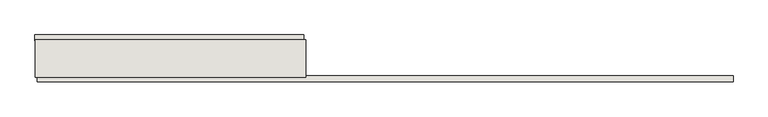
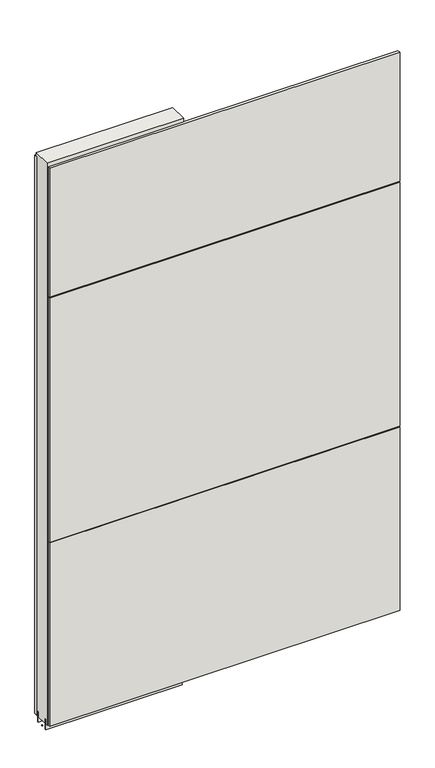
"""IFC4 building model written with IfcOpenShell, lengths in millimetres: wall geometry."""

from ifc_helpers import new_model, si_unit, frame, origin, place, context, project, spatial, polyline, outline, extrude, source, transform, mapped, element, save


def wall_65722b0a(model_context):
    return source(origin(), model_context, "Body", "SweptSolid", [
        extrude(outline(polyline([(42536.745, -47722.5245954), (42534.205, -47722.5245954), (42534.205, -47719.9845954), (42536.745, -47719.9845954), (42536.745, -47722.5245954)])), frame((0.0, 0.0, 4419.6), z_axis=(0.0, 0.0, 1.0), x_axis=(1.0, 0.0, 0.0)), (0.0, 0.0, 1.0), 2.54),
        extrude(outline(polyline([(42533.7388084, -47670.4545954), (43117.1137656, -47670.4545954), (43117.1137656, -47683.1545954), (42533.7388084, -47683.1545954), (42533.7388084, -47670.4545954)])), frame((0.0, 0.0, 4445.0), z_axis=(0.0, 0.0, 1.0), x_axis=(1.0, 0.0, 0.0)), (0.0, 0.0, 1.0), 2545.0498756),
        extrude(outline(polyline([(44049.1437278, -47772.0545954), (42538.6687198, -47772.0545954), (42538.6687198, -47759.3545954), (44049.1437278, -47759.3545954), (44049.1437278, -47772.0545954)])), frame((0.0, 0.0, 6402.8000722), z_axis=(0.0, 0.0, 1.0), x_axis=(1.0, 0.0, 0.0)), (0.0, 0.0, 1.0), 587.2498034),
        extrude(outline(polyline([(44049.1437278, -47772.0545954), (42538.6687198, -47772.0545954), (42538.6687198, -47759.3545954), (44049.1437278, -47759.3545954), (44049.1437278, -47772.0545954)])), frame((0.0, 0.0, 5285.2000722), z_axis=(0.0, 0.0, 1.0), x_axis=(1.0, 0.0, 0.0)), (0.0, 0.0, 1.0), 1113.5999572),
        extrude(outline(polyline([(44049.1437278, -47772.0545954), (42538.6687198, -47772.0545954), (42538.6687198, -47759.3545954), (44049.1437278, -47759.3545954), (44049.1437278, -47772.0545954)])), frame((0.0, 0.0, 4445.0), z_axis=(0.0, 0.0, 1.0), x_axis=(1.0, 0.0, 0.0)), (0.0, 0.0, 1.0), 836.200004),
        extrude(outline(polyline([(43121.5787554, -47696.1708508), (42534.2037554, -47696.1708508), (42534.2037554, -47691.0920954), (43121.5787554, -47691.0920954), (43121.5787554, -47696.1708508)])), frame((0.0, 0.0, 4418.6602), z_axis=(0.0, 0.0, 1.0), x_axis=(1.0, 0.0, 0.0)), (0.0, 0.0, 1.0), 47.625),
        extrude(outline(polyline([(43121.5787554, -47696.1708508), (42534.2037554, -47696.1708508), (42534.2037554, -47691.0920954), (43121.5787554, -47691.0920954), (43121.5787554, -47696.1708508)])), frame((0.0, 0.0, 4418.6602), z_axis=(0.0, 0.0, 1.0), x_axis=(1.0, 0.0, 0.0)), (0.0, 0.0, 1.0), 47.625),
        extrude(outline(polyline([(42534.2037554, -47746.3352412), (43121.5787554, -47746.3352412), (43121.5787554, -47751.4170954), (42534.2037554, -47751.4170954), (42534.2037554, -47746.3352412)])), frame((0.0, 0.0, 4418.6602), z_axis=(0.0, 0.0, 1.0), x_axis=(1.0, 0.0, 0.0)), (0.0, 0.0, 1.0), 47.625),
        extrude(outline(polyline([(42534.2037554, -47746.3352412), (43121.5787554, -47746.3352412), (43121.5787554, -47751.4170954), (42534.2037554, -47751.4170954), (42534.2037554, -47746.3352412)])), frame((0.0, 0.0, 4418.6602), z_axis=(0.0, 0.0, 1.0), x_axis=(1.0, 0.0, 0.0)), (0.0, 0.0, 1.0), 47.625),
        extrude(outline(polyline([(43121.5787554, -47680.6245014), (43121.5787554, -47761.906381), (42534.2037554, -47761.906381), (42534.2037554, -47680.6245014), (43121.5787554, -47680.6245014)])), frame((0.0, 0.0, 4445.0), z_axis=(0.0, 0.0, 1.0), x_axis=(1.0, 0.0, 0.0)), (0.0, 0.0, 1.0), 2562.4536762),
    ])


if __name__ == "__main__":
    model = new_model("IFC4")
    model_context = context("Model", 3, world=origin())
    ifc_project = project(units=[si_unit("LENGTHUNIT", "METRE", prefix="MILLI")], contexts=[model_context])
    site = spatial("IfcSite", under=ifc_project)
    building = spatial("IfcBuilding", under=site)
    placement = place(None, origin())
    wall_shape = wall_65722b0a(model_context)
    element("IfcWall", 1, at=placement, inside=building, context=model_context, shape_type="MappedRepresentation", body=[
        mapped(wall_shape, transform((0.0, 0.0, 0.0), x_axis=(1.0, 0.0, 0.0), y_axis=(0.0, 1.0, 0.0), z_axis=(0.0, 0.0, 1.0))),
    ])
    save(model, "model.ifc")
